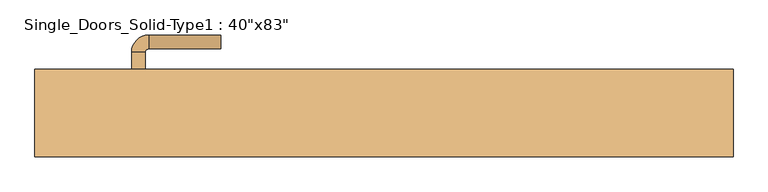
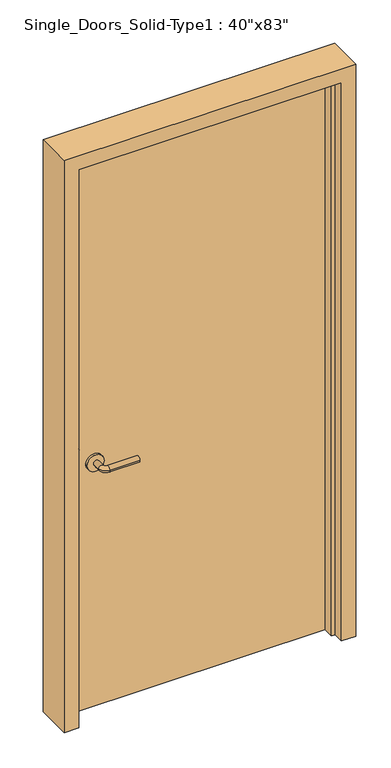
"""IFC4 building model written with IfcOpenShell, lengths in millimetres: door geometry."""

from ifc_helpers import new_model, si_unit, point, frame, frame_2d, origin, origin_with_axes, place, context, project, spatial, polyline, circle_curve, ellipse_curve, trimmed, segment, composite_curve, outline, extrude, faceted_brep, source, transform, mapped, element, save
from ifc_brep_helpers import plane_surface, cylinder_surface, revolved_surface, advanced_brep


def door_70ce9f20(model_context):
    return source(origin(), model_context, "Body", "SolidModel", [
        advanced_brep(
        [(-367.2, 4.7, 900.0), (-347.2, 4.7, 900.0), (-347.2, -25.3, 900.0), (-367.2, -25.3, 900.0), (-342.2, -30.3, 900.0), (-342.2, -50.3, 900.0), (-237.2, -50.3, 900.0), (-237.2, -30.3, 900.0)],
        [
            (0, 1, circle_curve(frame((-357.2, 4.7, 900.0), z_axis=(0.0, 1.0, 0.0), x_axis=(1.0, 0.0, 0.0)), 10.0)),
            (1, 0, circle_curve(frame((-357.2, 4.7, 900.0), z_axis=(0.0, 1.0, 0.0), x_axis=(1.0, 0.0, 0.0)), 10.0)),
            (1, 2),
            (2, 3, circle_curve(frame((-357.2, -25.3, 900.0), z_axis=(0.0, 1.0, 0.0), x_axis=(1.0, 0.0, 0.0)), 10.0)),
            (3, 0),
            (3, 2, circle_curve(frame((-357.2, -25.3, 900.0), z_axis=(0.0, 1.0, 0.0), x_axis=(1.0, 0.0, 0.0)), 10.0)),
            (4, 5, circle_curve(frame((-342.2, -40.3, 900.0), z_axis=(-1.0, 0.0, 0.0), x_axis=(0.0, 1.0, 0.0)), 10.0)),
            (5, 3, circle_curve(frame((-342.2, -25.3, 900.0), z_axis=(0.0, 0.0, -1.0), x_axis=(-1.0, 0.0, 0.0)), 25.0)),
            (2, 4, circle_curve(frame((-342.2, -25.3, 900.0), z_axis=(0.0, 0.0, 1.0), x_axis=(-1.0, 0.0, 0.0)), 5.0)),
            (5, 4, circle_curve(frame((-342.2, -40.3, 900.0), z_axis=(-1.0, 0.0, 0.0), x_axis=(0.0, 1.0, 0.0)), 10.0)),
            (6, 7, circle_curve(frame((-237.2, -40.3, 900.0), z_axis=(1.0, 0.0, 0.0), x_axis=(0.0, 1.0, 0.0)), 10.0)),
            (7, 6, circle_curve(frame((-237.2, -40.3, 900.0), z_axis=(1.0, 0.0, 0.0), x_axis=(0.0, 1.0, 0.0)), 10.0)),
            (4, 7),
            (6, 5),
        ],
        [
            plane_surface(frame((-357.2, 4.7, 900.0), z_axis=(0.0, 1.0, 0.0), x_axis=(0.0, 0.0, 1.0))),
            cylinder_surface(frame((-357.2, 4.7, 900.0), z_axis=(0.0, 1.0, 0.0), x_axis=(1.0, 0.0, 0.0)), 10.0),
            revolved_surface(trimmed(ellipse_curve(frame((-357.2, -25.3, 900.0), z_axis=(0.0, -1.0, 0.0), x_axis=(1.0, 0.0, 0.0)), 10.0, 10.0), [point((-367.2, -25.3, 900.0))], [point((-347.2, -25.3, 900.0))], True, "CARTESIAN"), (-342.2, -25.3, 900.0), (0.0, 0.0, -1.0)),
            revolved_surface(trimmed(ellipse_curve(frame((-357.2, -25.3, 900.0), z_axis=(0.0, -1.0, 0.0), x_axis=(1.0, 0.0, 0.0)), 10.0, 10.0), [point((-347.2, -25.3, 900.0))], [point((-367.2, -25.3, 900.0))], True, "CARTESIAN"), (-342.2, -25.3, 900.0), (0.0, 0.0, -1.0)),
            plane_surface(frame((-237.2, -40.3, 900.0), z_axis=(1.0, 0.0, 0.0), x_axis=(0.0, 0.0, 1.0))),
            cylinder_surface(frame((-342.2, -40.3, 900.0), z_axis=(-1.0, 0.0, 0.0), x_axis=(0.0, 1.0, 0.0)), 10.0),
        ],
        [
            (0, [[1, 2]]),
            (1, [[3, 4, 5, -2]]),
            (1, [[-5, 6, -3, -1]]),
            (2, [[7, 8, -4, 9]]),
            (3, [[10, -9, -6, -8]]),
            (4, [[11, 12]]),
            (5, [[13, -11, 14, -7]]),
            (5, [[-14, -12, -13, -10]]),
        ],
    ),
        extrude(outline(composite_curve([segment(trimmed(circle_curve(frame_2d((900.0, -359.7)), 30.0), [point((900.0, -389.7))], [point((900.0, -329.7))], False, "CARTESIAN"), True, "CONTINUOUS"), segment(trimmed(circle_curve(frame_2d((900.0, -359.7)), 30.0), [point((900.0, -329.7))], [point((900.0, -389.7))], False, "CARTESIAN"), True, "CONTINUOUS")], self_intersect=False)), frame((0.0, 4.7, 0.0), z_axis=(0.0, 1.0, 0.0), x_axis=(0.0, 0.0, 1.0)), (0.0, 0.0, 1.0), 8.0),
        advanced_brep(
        [(-367.2, 58.8, 900.0), (-347.2, 58.8, 900.0), (-367.2, 88.8, 900.0), (-347.2, 88.8, 900.0), (-342.2, 93.8, 900.0), (-342.2, 113.8, 900.0), (-237.2, 113.8, 900.0), (-237.2, 93.8, 900.0)],
        [
            (0, 1, circle_curve(frame((-357.2, 58.8, 900.0), z_axis=(0.0, -1.0, 0.0), x_axis=(1.0, 0.0, 0.0)), 10.0)),
            (1, 0, circle_curve(frame((-357.2, 58.8, 900.0), z_axis=(0.0, -1.0, 0.0), x_axis=(1.0, 0.0, 0.0)), 10.0)),
            (0, 2),
            (2, 3, circle_curve(frame((-357.2, 88.8, 900.0), z_axis=(0.0, -1.0, 0.0), x_axis=(1.0, 0.0, 0.0)), 10.0)),
            (3, 1),
            (3, 2, circle_curve(frame((-357.2, 88.8, 900.0), z_axis=(0.0, -1.0, 0.0), x_axis=(1.0, 0.0, 0.0)), 10.0)),
            (4, 3, circle_curve(frame((-342.2, 88.8, 900.0), z_axis=(0.0, 0.0, 1.0), x_axis=(-1.0, 0.0, 0.0)), 5.0)),
            (2, 5, circle_curve(frame((-342.2, 88.8, 900.0), z_axis=(0.0, 0.0, -1.0), x_axis=(-1.0, 0.0, 0.0)), 25.0)),
            (5, 4, circle_curve(frame((-342.2, 103.8, 900.0), z_axis=(-1.0, 0.0, 0.0), x_axis=(0.0, -1.0, 0.0)), 10.0)),
            (4, 5, circle_curve(frame((-342.2, 103.8, 900.0), z_axis=(-1.0, 0.0, 0.0), x_axis=(0.0, -1.0, 0.0)), 10.0)),
            (6, 7, circle_curve(frame((-237.2, 103.8, 900.0), z_axis=(1.0, 0.0, 0.0), x_axis=(0.0, -1.0, 0.0)), 10.0)),
            (7, 6, circle_curve(frame((-237.2, 103.8, 900.0), z_axis=(1.0, 0.0, 0.0), x_axis=(0.0, -1.0, 0.0)), 10.0)),
            (5, 6),
            (7, 4),
        ],
        [
            plane_surface(frame((-357.2, 58.8, 900.0), z_axis=(0.0, -1.0, 0.0), x_axis=(0.0, 0.0, 1.0))),
            cylinder_surface(frame((-357.2, 58.8, 900.0), z_axis=(0.0, -1.0, 0.0), x_axis=(1.0, 0.0, 0.0)), 10.0),
            revolved_surface(trimmed(ellipse_curve(frame((-357.2, 88.8, 900.0), z_axis=(0.0, -1.0, 0.0), x_axis=(1.0, 0.0, 0.0)), 10.0, 10.0), [point((-367.2, 88.8, 900.0))], [point((-347.2, 88.8, 900.0))], True, "CARTESIAN"), (-342.2, 88.8, 900.0), (0.0, 0.0, -1.0)),
            revolved_surface(trimmed(ellipse_curve(frame((-357.2, 88.8, 900.0), z_axis=(0.0, -1.0, 0.0), x_axis=(1.0, 0.0, 0.0)), 10.0, 10.0), [point((-347.2, 88.8, 900.0))], [point((-367.2, 88.8, 900.0))], True, "CARTESIAN"), (-342.2, 88.8, 900.0), (0.0, 0.0, -1.0)),
            plane_surface(frame((-237.2, 103.8, 900.0), z_axis=(1.0, 0.0, 0.0), x_axis=(0.0, 0.0, 1.0))),
            cylinder_surface(frame((-342.2, 103.8, 900.0), z_axis=(-1.0, 0.0, 0.0), x_axis=(0.0, -1.0, 0.0)), 10.0),
        ],
        [
            (0, [[1, 2]]),
            (1, [[-1, 3, 4, 5]]),
            (1, [[-2, -5, 6, -3]]),
            (2, [[7, -4, 8, 9]]),
            (3, [[-8, -6, -7, 10]]),
            (4, [[11, 12]]),
            (5, [[-9, 13, -12, 14]]),
            (5, [[-10, -14, -11, -13]]),
        ],
    ),
        extrude(outline(composite_curve([segment(trimmed(circle_curve(frame_2d((900.0, -359.7)), 30.0), [point((900.0, -389.7))], [point((900.0, -329.7))], False, "CARTESIAN"), True, "CONTINUOUS"), segment(trimmed(circle_curve(frame_2d((900.0, -359.7)), 30.0), [point((900.0, -329.7))], [point((900.0, -389.7))], False, "CARTESIAN"), True, "CONTINUOUS")], self_intersect=False)), frame((0.0, 50.8, 0.0), z_axis=(0.0, 1.0, 0.0), x_axis=(0.0, 0.0, 1.0)), (0.0, 0.0, 1.0), 8.0),
        faceted_brep([(-508.0, -63.5, 0.0), (-508.0, 63.5, 0.0), (-457.2, 63.5, 0.0), (-457.2, 12.7, 0.0), (-444.5, 12.7, 0.0), (-444.5, -25.4, 0.0), (-457.2, -25.4, 0.0), (-457.2, -63.5, 0.0), (-508.0, -63.5, 2108.2), (-508.0, 63.5, 2108.2), (508.0, 63.5, 2108.2), (508.0, 63.5, 0.0), (457.2, 63.5, 0.0), (457.2, 63.5, 2057.4), (-457.2, 63.5, 2057.4), (-457.2, 12.7, 2057.4), (457.2, 12.7, 2057.4), (457.2, 12.7, 0.0), (444.5, 12.7, 0.0), (444.5, 12.7, 2044.7), (-444.5, 12.7, 2044.7), (-444.5, -25.4, 2044.7), (444.5, -25.4, 2044.7), (444.5, -25.4, 0.0), (457.2, -25.4, 0.0), (457.2, -25.4, 2057.4), (-457.2, -25.4, 2057.4), (-457.2, -63.5, 2057.4), (457.2, -63.5, 2057.4), (457.2, -63.5, 0.0), (508.0, -63.5, 0.0), (508.0, -63.5, 2108.2)], [[[0, 1, 2, 3, 4, 5, 6, 7]], [[1, 0, 8, 9]], [[2, 1, 9, 10, 11, 12, 13, 14]], [[3, 2, 14, 15]], [[4, 3, 15, 16, 17, 18, 19, 20]], [[5, 4, 20, 21]], [[6, 5, 21, 22, 23, 24, 25, 26]], [[7, 6, 26, 27]], [[0, 7, 27, 28, 29, 30, 31, 8]], [[10, 31, 30, 11]], [[30, 29, 24, 23, 18, 17, 12, 11]], [[16, 13, 12, 17]], [[22, 19, 18, 23]], [[28, 25, 24, 29]], [[9, 8, 31, 10]], [[15, 14, 13, 16]], [[21, 20, 19, 22]], [[27, 26, 25, 28]]]),
        extrude(outline(polyline([(457.2, 12.7), (-457.2, 12.7), (-457.2, 50.8), (457.2, 50.8), (457.2, 12.7)])), origin_with_axes(), (0.0, 0.0, 1.0), 2057.4),
    ])


if __name__ == "__main__":
    model = new_model("IFC4")
    model_context = context("Model", 3, world=origin())
    ifc_project = project(units=[si_unit("LENGTHUNIT", "METRE", prefix="MILLI")], contexts=[model_context])
    site = spatial("IfcSite", under=ifc_project)
    building = spatial("IfcBuilding", under=site)
    placement = place(None, origin())
    door_shape = door_70ce9f20(model_context)
    element("IfcDoor", 1, ObjectType="Single_Doors_Solid-Type1 : 40\"x83\"", at=placement, inside=building, context=model_context, shape_type="MappedRepresentation", body=[
        mapped(door_shape, transform((0.0, 0.0, 0.0), x_axis=(1.0, 0.0, 0.0), y_axis=(0.0, 1.0, 0.0), z_axis=(0.0, 0.0, 1.0))),
    ])
    save(model, "model.ifc")
